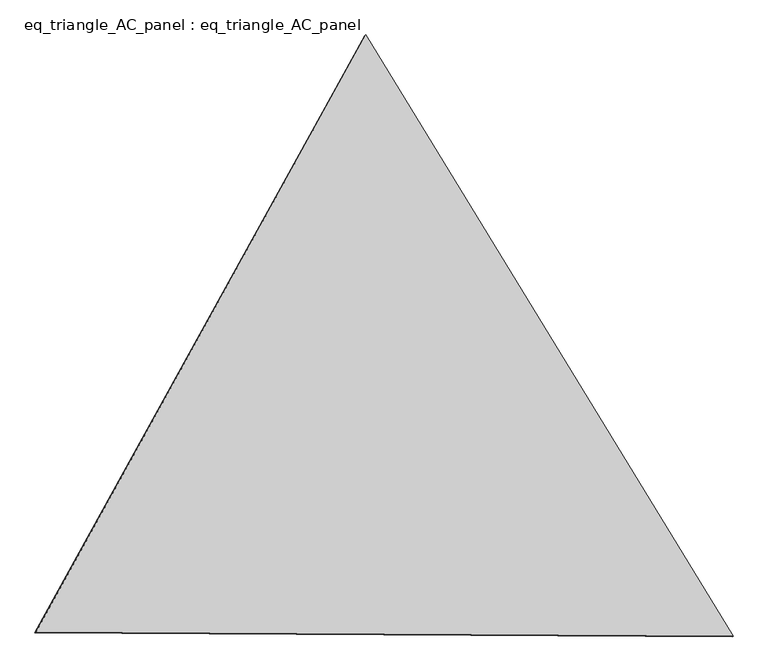
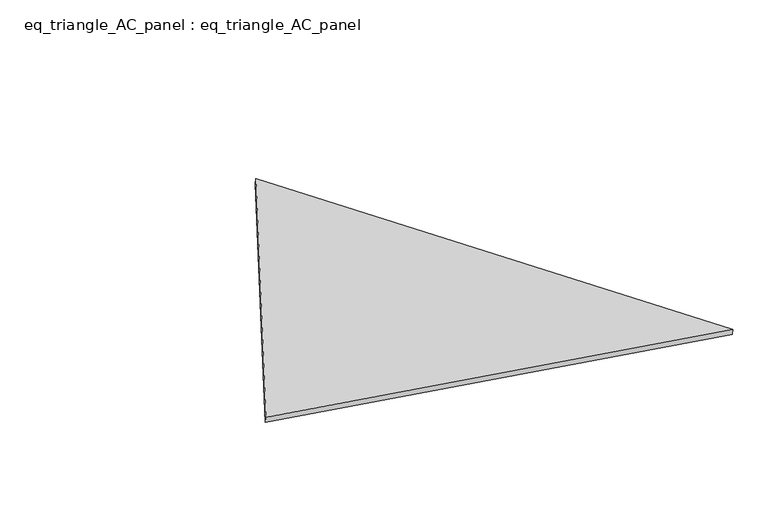
"""IFC4 building model written with IfcOpenShell, lengths in millimetres: proxy geometry, eq_triangle_AC_panel : eq_triangle_AC_panel."""

from ifc_helpers import new_model, si_unit, frame, origin, place, context, project, spatial, polyline, outline, extrude, source, transform, mapped, element, save


def eq_triangle_ac_panel_eq_triangle_ac_panel_5d5072a7(model_context):
    return source(origin(), model_context, "Body", "SweptSolid", [
        extrude(outline(polyline([(-2032.8306629, 1173.1700195), (2091.2842303, 1173.1700196), (-58.4535675, -2346.3400391), (-2032.8306629, 1173.1700195)])), frame((0.0038051, 527.9290861, 89.8240019), z_axis=(0.14526328518058182, 0.08386570281802185, 0.9858321976225894), x_axis=(0.5211103640697133, -0.8534790669543441, -0.004179800219304157)), (0.0, 0.0, 1.0), 43.8306294),
    ])


if __name__ == "__main__":
    model = new_model("IFC4")
    model_context = context("Model", 3, world=origin())
    ifc_project = project(units=[si_unit("LENGTHUNIT", "METRE", prefix="MILLI")], contexts=[model_context])
    site = spatial("IfcSite", under=ifc_project)
    building = spatial("IfcBuilding", under=site)
    placement = place(None, origin())
    eq_triangle_ac_panel_eq_triangle_ac_panel_shape = eq_triangle_ac_panel_eq_triangle_ac_panel_5d5072a7(model_context)
    element("IfcBuildingElementProxy", 1, Name="eq_triangle_AC_panel : eq_triangle_AC_panel", ObjectType="eq_triangle_AC_panel : eq_triangle_AC_panel", at=placement, inside=building, context=model_context, shape_type="MappedRepresentation", body=[
        mapped(eq_triangle_ac_panel_eq_triangle_ac_panel_shape, transform((0.0, 0.0, 0.0), x_axis=(1.0, 0.0, 0.0), y_axis=(0.0, 1.0, 0.0), z_axis=(0.0, 0.0, 1.0))),
    ])
    save(model, "model.ifc")
